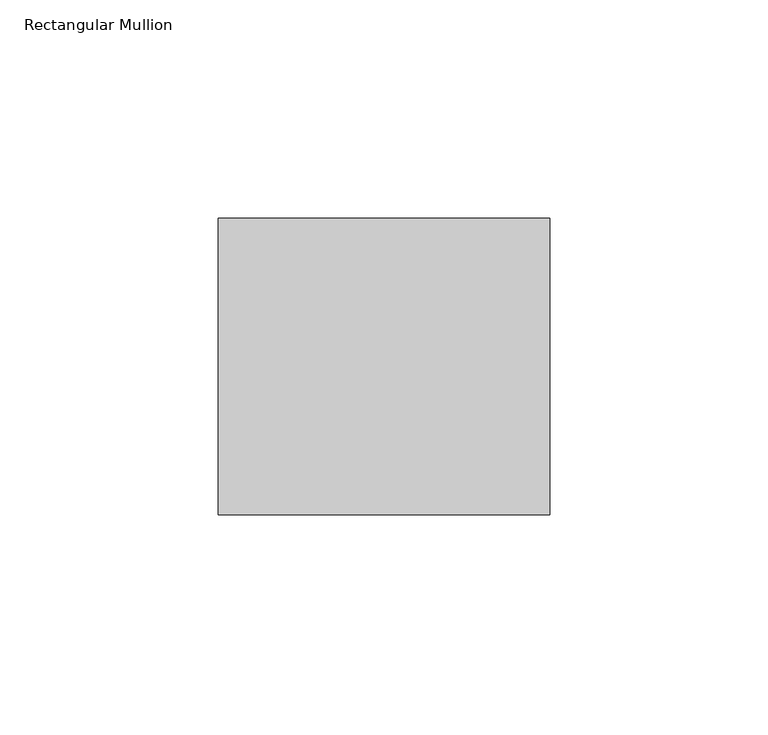
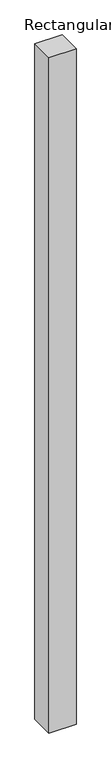
"""IFC4 building model written with IfcOpenShell, lengths in millimetres: member geometry, Rectangular Mullion."""

import ifcopenshell
import ifcopenshell.guid

model = None  # the IFC model being written
_history = None  # IfcOwnerHistory: only IFC2X3 demands one
_inside = {}  # id of a spatial element -> (the spatial element, [elements in it])
_under = {}  # id of a project, library or spatial element -> (it, [spatial elements below it])
_declared = {}  # id of a project -> (the project, [libraries it declares])
_typed = {}  # id of a type object -> (the type object, [elements of that type])
_made_of = {}  # id of a material, layer set ... -> (it, [elements and type objects made of it])


def new_model(schema):
    """Start an empty IFC model of exactly this schema.

    Asked for "IFC4X3", IfcOpenShell would pick the latest addendum, in which some entities
    have other attributes; the version numbers below select the first issue.
    IFC2X3 requires an IfcOwnerHistory on every rooted entity: one is made here for all.
    """
    global model, _history
    if schema == "IFC4X3":
        model = ifcopenshell.file(schema_version=(4, 3, 0, 0))
    else:
        model = ifcopenshell.file(schema=schema)
    _inside.clear()
    _under.clear()
    _declared.clear()
    _typed.clear()
    _made_of.clear()
    _history = None
    if model.schema == "IFC2X3":
        org = make("IfcOrganization", Name="unknown")
        user = make(
            "IfcPersonAndOrganization",
            ThePerson=make("IfcPerson", FamilyName="unknown"),
            TheOrganization=org,
        )
        app = make(
            "IfcApplication",
            ApplicationDeveloper=org,
            Version="unknown",
            ApplicationFullName="unknown",
            ApplicationIdentifier="unknown",
        )
        _history = make(
            "IfcOwnerHistory",
            OwningUser=user,
            OwningApplication=app,
            ChangeAction="ADDED",
            CreationDate=0,
        )
    return model


def make(cls, **values):
    """One entity of the class cls with the attributes given. An attribute that is None is left unset."""
    return model.create_entity(
        cls, **{name: value for name, value in values.items() if value is not None}
    )


def rooted(cls, **values):
    """An entity with a GlobalId (a new one), such as an element, a storey or a relation."""
    return make(cls, GlobalId=ifcopenshell.guid.new(), OwnerHistory=_history, **values)


def si_unit(unit_type, name, prefix=None):
    """IfcSIUnit, for example si_unit("LENGTHUNIT", "METRE", prefix="MILLI")."""
    return make("IfcSIUnit", UnitType=unit_type, Prefix=prefix, Name=name)


def assignment(units):
    """IfcUnitAssignment: the units of a project."""
    return None if units is None else make("IfcUnitAssignment", Units=units)


def point(xyz):
    """IfcCartesianPoint."""
    return None if xyz is None else make("IfcCartesianPoint", Coordinates=xyz)


def direction(xyz):
    """IfcDirection."""
    return None if xyz is None else make("IfcDirection", DirectionRatios=xyz)


def frame(location, z_axis=None, x_axis=None):
    """IfcAxis2Placement3D, a coordinate frame: its origin and axes. An axis left out is left unset."""
    return make(
        "IfcAxis2Placement3D",
        Location=point(location),
        Axis=direction(z_axis),
        RefDirection=direction(x_axis),
    )


def origin():
    """The frame at (0, 0, 0) with its axes left unset."""
    return frame((0.0, 0.0, 0.0))


def place(relative_to, where):
    """IfcLocalPlacement: puts the frame where relative to a parent placement (None: the world)."""
    return make(
        "IfcLocalPlacement", PlacementRelTo=relative_to, RelativePlacement=where
    )


def context(
    kind, dimensions, precision=None, world=None, true_north=None, identifier=None
):
    """IfcGeometricRepresentationContext, for example the 3D "Model" context."""
    return make(
        "IfcGeometricRepresentationContext",
        ContextIdentifier=identifier,
        ContextType=kind,
        CoordinateSpaceDimension=dimensions,
        Precision=precision,
        WorldCoordinateSystem=world,
        TrueNorth=true_north,
    )


def project(units=None, contexts=None):
    """IfcProject with its units and contexts."""
    return rooted(
        "IfcProject",
        Name="project",
        RepresentationContexts=contexts,
        UnitsInContext=assignment(units),
    )


def spatial(cls, under=None, at=None, **own):
    """A site, building, storey or space (cls), placed at a placement, below another one or the project."""
    s = rooted(cls, ObjectPlacement=at, **own)
    if under is not None:
        _under.setdefault(under.id(), (under, []))[1].append(s)
    return s


def polyline(points):
    """IfcPolyline through the points."""
    return make("IfcPolyline", Points=[point(p) for p in points])


def outline(outer, holes=None, kind="AREA"):
    """IfcArbitraryClosedProfileDef: a profile drawn as a closed curve; with holes, ...WithVoids."""
    if holes is None:
        return make("IfcArbitraryClosedProfileDef", ProfileType=kind, OuterCurve=outer)
    return make(
        "IfcArbitraryProfileDefWithVoids",
        ProfileType=kind,
        OuterCurve=outer,
        InnerCurves=holes,
    )


def extrude(swept, where, along, depth):
    """IfcExtrudedAreaSolid: the profile swept, set in the frame where, extruded along a direction by depth."""
    return make(
        "IfcExtrudedAreaSolid",
        SweptArea=swept,
        Position=where,
        ExtrudedDirection=direction(along),
        Depth=depth,
    )


def shape(context_of_items, identifier, shape_type, items):
    """IfcShapeRepresentation: the items that make up one representation, for example the "Body"."""
    return make(
        "IfcShapeRepresentation",
        ContextOfItems=context_of_items,
        RepresentationIdentifier=identifier,
        RepresentationType=shape_type,
        Items=items,
    )


def source(mapping_origin, context_of_items, identifier, shape_type, items):
    """IfcRepresentationMap: a shape defined once, which mapped items show again and again."""
    return make(
        "IfcRepresentationMap",
        MappingOrigin=mapping_origin,
        MappedRepresentation=shape(context_of_items, identifier, shape_type, items),
    )


def transform(
    local_origin,
    x_axis=None,
    y_axis=None,
    z_axis=None,
    scale=None,
    scale2=None,
    scale3=None,
    uniform=True,
):
    """IfcCartesianTransformationOperator3D, or its non-uniform kind. x_axis, y_axis, z_axis: its Axis1, 2, 3."""
    if uniform:
        return make(
            "IfcCartesianTransformationOperator3D",
            Axis1=direction(x_axis),
            Axis2=direction(y_axis),
            LocalOrigin=point(local_origin),
            Scale=scale,
            Axis3=direction(z_axis),
        )
    return make(
        "IfcCartesianTransformationOperator3DnonUniform",
        Axis1=direction(x_axis),
        Axis2=direction(y_axis),
        LocalOrigin=point(local_origin),
        Scale=scale,
        Axis3=direction(z_axis),
        Scale2=scale2,
        Scale3=scale3,
    )


def mapped(mapping_source, mapping_target):
    """IfcMappedItem: shows the shape of a source again, moved by a transform."""
    return make(
        "IfcMappedItem", MappingSource=mapping_source, MappingTarget=mapping_target
    )


def made_of(thing, what):
    """Note that an element or type object is made of a material, layer set ...; save() writes the relation."""
    if what is not None:
        _made_of.setdefault(what.id(), (what, []))[1].append(thing)
    return thing


def element(
    cls,
    number,
    at=None,
    inside=None,
    cuts=None,
    type_object=None,
    material=None,
    context=None,
    identifier="Body",
    shape_type=None,
    held_by="IfcProductDefinitionShape",
    body=None,
    shapes=None,
    **own,
):
    """One element of the class cls, such as IfcWall. Its Tag is "e" and its number.

    at: its placement. inside: the storey or other place that contains it. cuts: it is an
    opening in that element (IfcRelVoidsElement). A single representation is given by context,
    identifier, shape_type and body (its items); several are given by shapes. held_by: the class
    of the entity that holds the representations. save() writes the other relations.
    """
    e = rooted(cls, Tag="e%d" % number, ObjectPlacement=at, **own)
    if body is not None:
        shapes = [shape(context, identifier, shape_type, body)]
    if shapes is not None:
        e.Representation = make(held_by, Representations=shapes)
    if inside is not None:
        _inside.setdefault(inside.id(), (inside, []))[1].append(e)
    if cuts is not None:
        rooted(
            "IfcRelVoidsElement", RelatingBuildingElement=cuts, RelatedOpeningElement=e
        )
    if type_object is not None:
        _typed.setdefault(type_object.id(), (type_object, []))[1].append(e)
    return made_of(e, material)


def aggregate(whole, parts):
    """IfcRelAggregates: a whole, such as a stair, and the parts it consists of."""
    return rooted("IfcRelAggregates", RelatingObject=whole, RelatedObjects=parts)


def save(model, path):
    """Write the relations noted so far, then the file.

    IfcRelAggregates (storeys below a building ...), IfcRelContainedInSpatialStructure (elements
    in a storey), IfcRelDefinesByType, IfcRelAssociatesMaterial and IfcRelDeclares: one each for
    every whole, place, type object, material and project.
    """
    for whole, parts in _under.values():
        aggregate(whole, parts)
    for where, things in _inside.values():
        rooted(
            "IfcRelContainedInSpatialStructure",
            RelatedElements=things,
            RelatingStructure=where,
        )
    for kind, things in _typed.values():
        rooted("IfcRelDefinesByType", RelatedObjects=things, RelatingType=kind)
    for what, things in _made_of.values():
        rooted("IfcRelAssociatesMaterial", RelatedObjects=things, RelatingMaterial=what)
    for by, libraries in _declared.values():
        rooted("IfcRelDeclares", RelatingContext=by, RelatedDefinitions=libraries)
    model.write(path)


def rectangular_mullion_502e6414(model_context):
    return source(origin(), model_context, "Body", "SweptSolid", [
        extrude(outline(polyline([(38.0, 68.0), (38.0, 0.0), (-38.0, 0.0), (-38.0, 68.0), (38.0, 68.0)])), frame((0.0, 0.0, -2000.0), z_axis=(0.0, 0.0, 1.0), x_axis=(1.0, 0.0, 0.0)), (0.0, 0.0, 1.0), 2000.0),
    ])


if __name__ == "__main__":
    model = new_model("IFC4")
    model_context = context("Model", 3, world=origin())
    ifc_project = project(units=[si_unit("LENGTHUNIT", "METRE", prefix="MILLI")], contexts=[model_context])
    site = spatial("IfcSite", under=ifc_project)
    building = spatial("IfcBuilding", under=site)
    placement = place(None, origin())
    rectangular_mullion_shape = rectangular_mullion_502e6414(model_context)
    element("IfcMember", 1, ObjectType="Rectangular Mullion", at=placement, inside=building, context=model_context, shape_type="MappedRepresentation", body=[
        mapped(rectangular_mullion_shape, transform((0.0, 0.0, 0.0), x_axis=(1.0, 0.0, 0.0), y_axis=(0.0, 1.0, 0.0), z_axis=(0.0, 0.0, 1.0))),
    ])
    save(model, "model.ifc")
